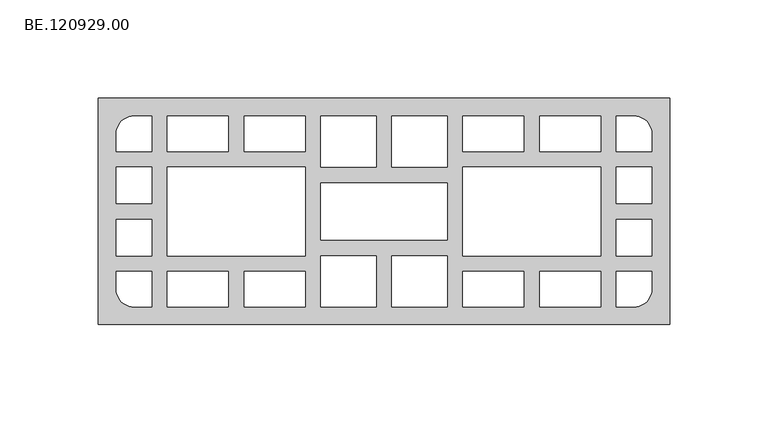
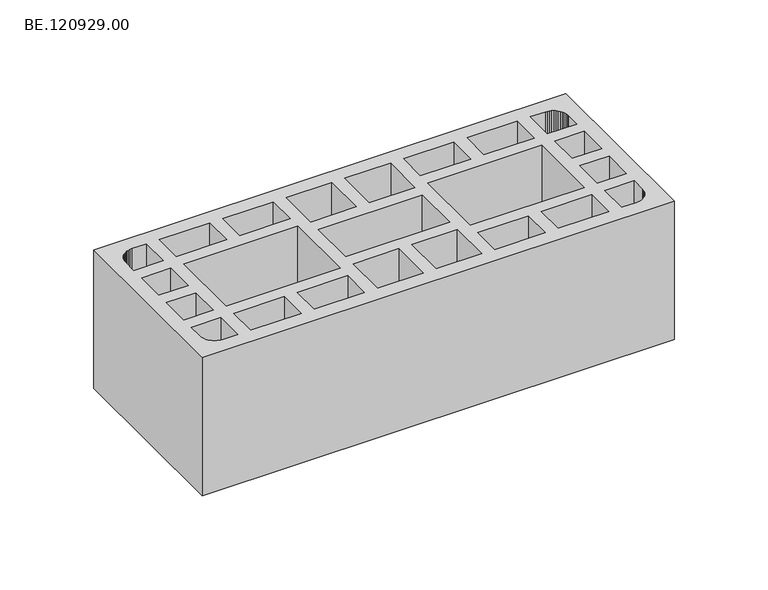
"""IFC4 building model written with IfcOpenShell, lengths in millimetres: proxy geometry, BE.120929.00."""

from ifc_helpers import new_model, si_unit, origin, origin_with_axes, place, context, project, spatial, polyline, outline, extrude, source, transform, mapped, element, save


def be_120929_00_02044a0b(model_context):
    return source(origin(), model_context, "Body", "SweptSolid", [
        extrude(outline(polyline([(295.0, 57.5034668), (295.0, -57.5034668), (5.0, -57.5034668), (5.0, 57.5034668), (295.0, 57.5034668)]), holes=[polyline([(71.0052734, 48.4993652), (39.9932129, 48.4993652), (39.9932129, 30.5097656), (71.0052734, 30.5097656), (71.0052734, 48.4993652)]), polyline([(110.0075439, 48.4993652), (79.0047852, 48.4993652), (79.0047852, 30.5097656), (110.0075439, 30.5097656), (110.0075439, 48.4993652)]), polyline([(145.9960449, 48.4993652), (118.0070557, 48.4993652), (118.0070557, 22.5009521), (145.9960449, 22.5009521), (145.9960449, 48.4993652)]), polyline([(182.0031494, 14.5014404), (118.0070557, 14.5014404), (118.0070557, -14.5014404), (182.0031494, -14.5014404), (182.0031494, 14.5014404)]), polyline([(182.0031494, 22.5009521), (182.0031494, 48.4993652), (153.9955566, 48.4993652), (153.9955566, 22.5009521), (182.0031494, 22.5009521)]), polyline([(110.0075439, 22.5009521), (39.9932129, 22.5009521), (39.9932129, -22.5009521), (110.0075439, -22.5009521), (110.0075439, 22.5009521)]), polyline([(71.0052734, -48.4993652), (71.0052734, -30.5004639), (39.9932129, -30.5004639), (39.9932129, -48.4993652), (71.0052734, -48.4993652)]), polyline([(110.0075439, -48.4993652), (110.0075439, -30.5004639), (79.0047852, -30.5004639), (79.0047852, -48.4993652), (110.0075439, -48.4993652)]), polyline([(145.9960449, -48.4993652), (145.9960449, -22.5009521), (118.0070557, -22.5009521), (118.0070557, -48.4993652), (145.9960449, -48.4993652)]), polyline([(182.0031494, -22.5009521), (153.9955566, -22.5009521), (153.9955566, -48.4993652), (182.0031494, -48.4993652), (182.0031494, -22.5009521)]), polyline([(32.0020996, 22.5009521), (14.0125, 22.5009521), (14.0125, 3.9997559), (32.0020996, 3.9997559), (32.0020996, 22.5009521)]), polyline([(32.0020996, -22.5009521), (32.0020996, -3.9997559), (14.0125, -3.9997559), (14.0125, -22.5009521), (32.0020996, -22.5009521)]), polyline([(14.0041016, 30.5004639), (32.0030029, 30.5004639), (32.0030029, 48.4993652), (23.0082031, 48.4993652), (21.8268799, 48.4249512), (20.6734619, 48.1924072), (19.557251, 47.8203369), (18.5061523, 47.2994385), (17.5294678, 46.6390137), (16.636499, 45.8669678), (15.8644531, 44.9833008), (15.2133301, 43.9973145), (14.6924316, 42.9462158), (14.3110596, 41.8300049), (14.0785156, 40.6765869), (14.0041016, 39.5045654), (14.0041016, 30.5004639)]), polyline([(14.0041016, -30.5004639), (14.0041016, -39.5045654), (14.0785156, -40.6765869), (14.3110596, -41.8300049), (14.6924316, -42.9462158), (15.2133301, -43.9973145), (15.8644531, -44.9833008), (16.636499, -45.8669678), (17.5294678, -46.6390137), (18.5061523, -47.2994385), (19.557251, -47.8203369), (20.6734619, -48.1924072), (21.8268799, -48.4249512), (23.0082031, -48.4993652), (32.0030029, -48.4993652), (32.0030029, -30.5004639), (14.0041016, -30.5004639)]), polyline([(229.0049316, 48.4993652), (229.0049316, 30.5097656), (260.0169922, 30.5097656), (260.0169922, 48.4993652), (229.0049316, 48.4993652)]), polyline([(190.0026611, 48.4993652), (190.0026611, 30.5097656), (221.0054199, 30.5097656), (221.0054199, 48.4993652), (190.0026611, 48.4993652)]), polyline([(190.0026611, 22.5009521), (190.0026611, -22.5009521), (260.0169922, -22.5009521), (260.0169922, 22.5009521), (190.0026611, 22.5009521)]), polyline([(229.0049316, -48.4993652), (260.0169922, -48.4993652), (260.0169922, -30.5004639), (229.0049316, -30.5004639), (229.0049316, -48.4993652)]), polyline([(190.0026611, -48.4993652), (221.0054199, -48.4993652), (221.0054199, -30.5004639), (190.0026611, -30.5004639), (190.0026611, -48.4993652)]), polyline([(268.0081055, 22.5009521), (268.0081055, 3.9997559), (285.9977051, 3.9997559), (285.9977051, 22.5009521), (268.0081055, 22.5009521)]), polyline([(268.0081055, -22.5009521), (285.9977051, -22.5009521), (285.9977051, -3.9997559), (268.0081055, -3.9997559), (268.0081055, -22.5009521)]), polyline([(286.0061035, 30.5004639), (286.0061035, 39.5045654), (285.9316895, 40.6765869), (285.6991455, 41.8300049), (285.3177734, 42.9462158), (284.796875, 43.9973145), (284.145752, 44.9833008), (283.3737061, 45.8669678), (282.4807373, 46.6390137), (281.5040527, 47.2994385), (280.4529541, 47.8203369), (279.3367432, 48.1924072), (278.1833252, 48.4249512), (277.002002, 48.4993652), (268.0072021, 48.4993652), (268.0072021, 30.5004639), (286.0061035, 30.5004639)]), polyline([(286.0061035, -30.5004639), (268.0072021, -30.5004639), (268.0072021, -48.4993652), (277.002002, -48.4993652), (278.1833252, -48.4249512), (279.3367432, -48.1924072), (280.4529541, -47.8203369), (281.5040527, -47.2994385), (282.4807373, -46.6390137), (283.3737061, -45.8669678), (284.145752, -44.9833008), (284.796875, -43.9973145), (285.3177734, -42.9462158), (285.6991455, -41.8300049), (285.9316895, -40.6765869), (286.0061035, -39.5045654), (286.0061035, -30.5004639)])]), origin_with_axes(), (0.0, 0.0, 1.0), 90.0),
    ])


if __name__ == "__main__":
    model = new_model("IFC4")
    model_context = context("Model", 3, world=origin())
    ifc_project = project(units=[si_unit("LENGTHUNIT", "METRE", prefix="MILLI")], contexts=[model_context])
    site = spatial("IfcSite", under=ifc_project)
    building = spatial("IfcBuilding", under=site)
    placement = place(None, origin())
    be_120929_00_shape = be_120929_00_02044a0b(model_context)
    element("IfcBuildingElementProxy", 1, Name="BE.120929.00", ObjectType="BE.120929.00", at=placement, inside=building, context=model_context, shape_type="MappedRepresentation", body=[
        mapped(be_120929_00_shape, transform((0.0, 0.0, 0.0), x_axis=(1.0, 0.0, 0.0), y_axis=(0.0, 1.0, 0.0), z_axis=(0.0, 0.0, 1.0))),
    ])
    save(model, "model.ifc")
